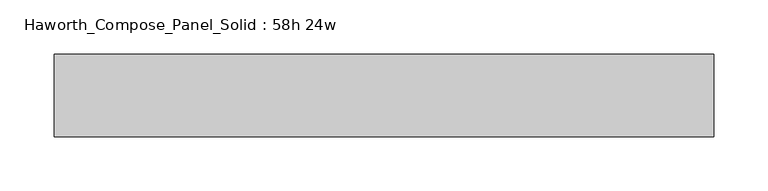
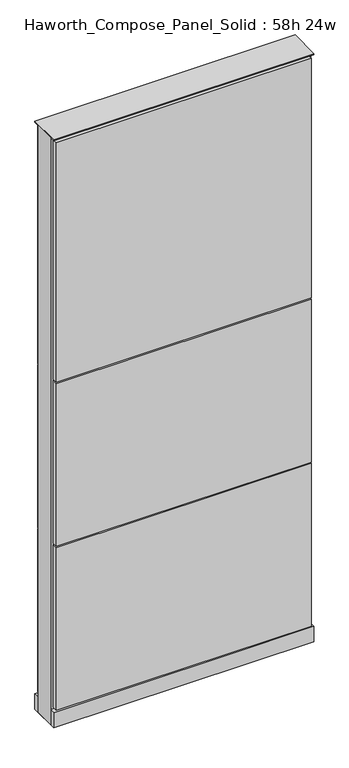
"""IFC4 building model written with IfcOpenShell, lengths in millimetres: furniture geometry, Haworth_Compose_Panel_Solid : 58h 24w."""

from ifc_helpers import new_model, si_unit, point, frame, frame_2d, origin, origin_with_axes, place, context, project, spatial, polyline, circle_curve, trimmed, segment, composite_curve, outline, extrude, source, transform, mapped, element, save


def haworth_compose_panel_solid_58h_24w_d2c3077d(model_context):
    return source(origin(), model_context, "Body", "SweptSolid", [
        extrude(outline(composite_curve([segment(trimmed(circle_curve(frame_2d((-226.1597098, 0.0)), 12.7), [point((-238.8597098, 0.0))], [point((-213.4597098, 0.0))], False, "CARTESIAN"), True, "CONTINUOUS"), segment(trimmed(circle_curve(frame_2d((-226.1597098, 0.0)), 12.7), [point((-213.4597098, 0.0))], [point((-238.8597098, 0.0))], False, "CARTESIAN"), True, "CONTINUOUS")], self_intersect=False)), origin_with_axes(), (0.0, 0.0, 1.0), 12.7),
        extrude(outline(composite_curve([segment(trimmed(circle_curve(frame_2d((231.0402902, 0.0)), 12.7), [point((218.3402902, 0.0))], [point((243.7402902, 0.0))], False, "CARTESIAN"), True, "CONTINUOUS"), segment(trimmed(circle_curve(frame_2d((231.0402902, 0.0)), 12.7), [point((243.7402902, 0.0))], [point((218.3402902, 0.0))], False, "CARTESIAN"), True, "CONTINUOUS")], self_intersect=False)), origin_with_axes(), (0.0, 0.0, 1.0), 12.7),
        extrude(outline(polyline([(300.8902902, 38.1), (300.8902902, 25.4), (-296.0097098, 25.4), (-296.0097098, 38.1), (300.8902902, 38.1)])), frame((0.0, 0.0, 866.775), z_axis=(0.0, 0.0, 1.0), x_axis=(1.0, 0.0, 0.0)), (0.0, 0.0, 1.0), 593.725),
        extrude(outline(polyline([(300.8902902, 38.1), (300.8902902, 25.4), (-296.0097098, 25.4), (-296.0097098, 38.1), (300.8902902, 38.1)])), frame((0.0, 0.0, 460.375), z_axis=(0.0, 0.0, 1.0), x_axis=(1.0, 0.0, 0.0)), (0.0, 0.0, 1.0), 403.225),
        extrude(outline(polyline([(300.8902902, 38.1), (300.8902902, 25.4), (-296.0097098, 25.4), (-296.0097098, 38.1), (300.8902902, 38.1)])), frame((0.0, 0.0, 53.975), z_axis=(0.0, 0.0, 1.0), x_axis=(1.0, 0.0, 0.0)), (0.0, 0.0, 1.0), 403.225),
        extrude(outline(polyline([(300.8902902, -38.1), (-296.0097098, -38.1), (-296.0097098, -25.4), (300.8902902, -25.4), (300.8902902, -38.1)])), frame((0.0, 0.0, 866.775), z_axis=(0.0, 0.0, 1.0), x_axis=(1.0, 0.0, 0.0)), (0.0, 0.0, 1.0), 593.725),
        extrude(outline(polyline([(300.8902902, -38.1), (-296.0097098, -38.1), (-296.0097098, -25.4), (300.8902902, -25.4), (300.8902902, -38.1)])), frame((0.0, 0.0, 460.375), z_axis=(0.0, 0.0, 1.0), x_axis=(1.0, 0.0, 0.0)), (0.0, 0.0, 1.0), 403.225),
        extrude(outline(polyline([(300.8902902, -38.1), (-296.0097098, -38.1), (-296.0097098, -25.4), (300.8902902, -25.4), (300.8902902, -38.1)])), frame((0.0, 0.0, 53.975), z_axis=(0.0, 0.0, 1.0), x_axis=(1.0, 0.0, 0.0)), (0.0, 0.0, 1.0), 403.225),
        extrude(outline(polyline([(307.2402902, 25.4), (307.2402902, -25.4), (-302.3597098, -25.4), (-302.3597098, 25.4), (307.2402902, 25.4)])), frame((0.0, 0.0, 12.7), z_axis=(0.0, 0.0, 1.0), x_axis=(1.0, 0.0, 0.0)), (0.0, 0.0, 1.0), 1454.15),
        extrude(outline(polyline([(-302.3597098, -38.1), (-302.3597098, 38.1), (307.2402902, 38.1), (307.2402902, -38.1), (-302.3597098, -38.1)])), frame((0.0, 0.0, 12.7), z_axis=(0.0, 0.0, 1.0), x_axis=(1.0, 0.0, 0.0)), (0.0, 0.0, 1.0), 38.1),
        extrude(outline(polyline([(-302.3597098, -38.1), (-302.3597098, 38.1), (307.2402902, 38.1), (307.2402902, -38.1), (-302.3597098, -38.1)])), frame((0.0, 0.0, 1466.85), z_axis=(0.0, 0.0, 1.0), x_axis=(1.0, 0.0, 0.0)), (0.0, 0.0, 1.0), 3.175),
    ])


if __name__ == "__main__":
    model = new_model("IFC4")
    model_context = context("Model", 3, world=origin())
    ifc_project = project(units=[si_unit("LENGTHUNIT", "METRE", prefix="MILLI")], contexts=[model_context])
    site = spatial("IfcSite", under=ifc_project)
    building = spatial("IfcBuilding", under=site)
    placement = place(None, origin())
    haworth_compose_panel_solid_58h_24w_shape = haworth_compose_panel_solid_58h_24w_d2c3077d(model_context)
    element("IfcFurniture", 1, ObjectType="Haworth_Compose_Panel_Solid : 58h 24w", at=placement, inside=building, context=model_context, shape_type="MappedRepresentation", body=[
        mapped(haworth_compose_panel_solid_58h_24w_shape, transform((0.0, 0.0, 0.0), x_axis=(1.0, 0.0, 0.0), y_axis=(0.0, 1.0, 0.0), z_axis=(0.0, 0.0, 1.0))),
    ])
    save(model, "model.ifc")
